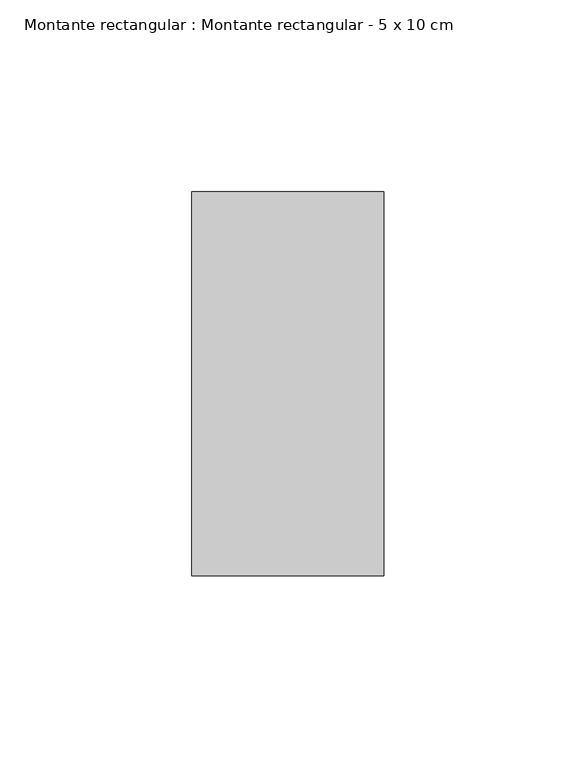
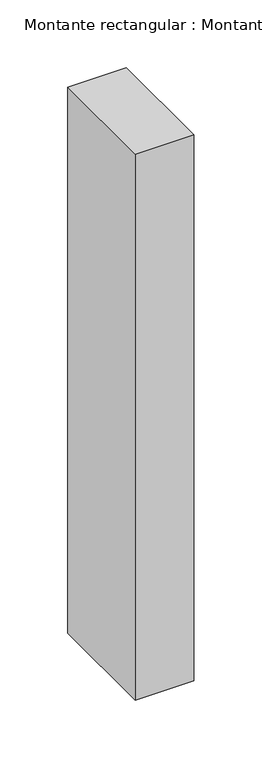
"""IFC4 building model written with IfcOpenShell, lengths in millimetres: member geometry, Montante rectangular : Montante rectangular - 5 x 10 cm."""

import ifcopenshell
import ifcopenshell.guid

model = None  # the IFC model being written
_history = None  # IfcOwnerHistory: only IFC2X3 demands one
_inside = {}  # id of a spatial element -> (the spatial element, [elements in it])
_under = {}  # id of a project, library or spatial element -> (it, [spatial elements below it])
_declared = {}  # id of a project -> (the project, [libraries it declares])
_typed = {}  # id of a type object -> (the type object, [elements of that type])
_made_of = {}  # id of a material, layer set ... -> (it, [elements and type objects made of it])


def new_model(schema):
    """Start an empty IFC model of exactly this schema.

    Asked for "IFC4X3", IfcOpenShell would pick the latest addendum, in which some entities
    have other attributes; the version numbers below select the first issue.
    IFC2X3 requires an IfcOwnerHistory on every rooted entity: one is made here for all.
    """
    global model, _history
    if schema == "IFC4X3":
        model = ifcopenshell.file(schema_version=(4, 3, 0, 0))
    else:
        model = ifcopenshell.file(schema=schema)
    _inside.clear()
    _under.clear()
    _declared.clear()
    _typed.clear()
    _made_of.clear()
    _history = None
    if model.schema == "IFC2X3":
        org = make("IfcOrganization", Name="unknown")
        user = make(
            "IfcPersonAndOrganization",
            ThePerson=make("IfcPerson", FamilyName="unknown"),
            TheOrganization=org,
        )
        app = make(
            "IfcApplication",
            ApplicationDeveloper=org,
            Version="unknown",
            ApplicationFullName="unknown",
            ApplicationIdentifier="unknown",
        )
        _history = make(
            "IfcOwnerHistory",
            OwningUser=user,
            OwningApplication=app,
            ChangeAction="ADDED",
            CreationDate=0,
        )
    return model


def make(cls, **values):
    """One entity of the class cls with the attributes given. An attribute that is None is left unset."""
    return model.create_entity(
        cls, **{name: value for name, value in values.items() if value is not None}
    )


def rooted(cls, **values):
    """An entity with a GlobalId (a new one), such as an element, a storey or a relation."""
    return make(cls, GlobalId=ifcopenshell.guid.new(), OwnerHistory=_history, **values)


def si_unit(unit_type, name, prefix=None):
    """IfcSIUnit, for example si_unit("LENGTHUNIT", "METRE", prefix="MILLI")."""
    return make("IfcSIUnit", UnitType=unit_type, Prefix=prefix, Name=name)


def assignment(units):
    """IfcUnitAssignment: the units of a project."""
    return None if units is None else make("IfcUnitAssignment", Units=units)


def point(xyz):
    """IfcCartesianPoint."""
    return None if xyz is None else make("IfcCartesianPoint", Coordinates=xyz)


def direction(xyz):
    """IfcDirection."""
    return None if xyz is None else make("IfcDirection", DirectionRatios=xyz)


def frame(location, z_axis=None, x_axis=None):
    """IfcAxis2Placement3D, a coordinate frame: its origin and axes. An axis left out is left unset."""
    return make(
        "IfcAxis2Placement3D",
        Location=point(location),
        Axis=direction(z_axis),
        RefDirection=direction(x_axis),
    )


def origin():
    """The frame at (0, 0, 0) with its axes left unset."""
    return frame((0.0, 0.0, 0.0))


def place(relative_to, where):
    """IfcLocalPlacement: puts the frame where relative to a parent placement (None: the world)."""
    return make(
        "IfcLocalPlacement", PlacementRelTo=relative_to, RelativePlacement=where
    )


def context(
    kind, dimensions, precision=None, world=None, true_north=None, identifier=None
):
    """IfcGeometricRepresentationContext, for example the 3D "Model" context."""
    return make(
        "IfcGeometricRepresentationContext",
        ContextIdentifier=identifier,
        ContextType=kind,
        CoordinateSpaceDimension=dimensions,
        Precision=precision,
        WorldCoordinateSystem=world,
        TrueNorth=true_north,
    )


def project(units=None, contexts=None):
    """IfcProject with its units and contexts."""
    return rooted(
        "IfcProject",
        Name="project",
        RepresentationContexts=contexts,
        UnitsInContext=assignment(units),
    )


def spatial(cls, under=None, at=None, **own):
    """A site, building, storey or space (cls), placed at a placement, below another one or the project."""
    s = rooted(cls, ObjectPlacement=at, **own)
    if under is not None:
        _under.setdefault(under.id(), (under, []))[1].append(s)
    return s


def polyline(points):
    """IfcPolyline through the points."""
    return make("IfcPolyline", Points=[point(p) for p in points])


def outline(outer, holes=None, kind="AREA"):
    """IfcArbitraryClosedProfileDef: a profile drawn as a closed curve; with holes, ...WithVoids."""
    if holes is None:
        return make("IfcArbitraryClosedProfileDef", ProfileType=kind, OuterCurve=outer)
    return make(
        "IfcArbitraryProfileDefWithVoids",
        ProfileType=kind,
        OuterCurve=outer,
        InnerCurves=holes,
    )


def extrude(swept, where, along, depth):
    """IfcExtrudedAreaSolid: the profile swept, set in the frame where, extruded along a direction by depth."""
    return make(
        "IfcExtrudedAreaSolid",
        SweptArea=swept,
        Position=where,
        ExtrudedDirection=direction(along),
        Depth=depth,
    )


def shape(context_of_items, identifier, shape_type, items):
    """IfcShapeRepresentation: the items that make up one representation, for example the "Body"."""
    return make(
        "IfcShapeRepresentation",
        ContextOfItems=context_of_items,
        RepresentationIdentifier=identifier,
        RepresentationType=shape_type,
        Items=items,
    )


def source(mapping_origin, context_of_items, identifier, shape_type, items):
    """IfcRepresentationMap: a shape defined once, which mapped items show again and again."""
    return make(
        "IfcRepresentationMap",
        MappingOrigin=mapping_origin,
        MappedRepresentation=shape(context_of_items, identifier, shape_type, items),
    )


def transform(
    local_origin,
    x_axis=None,
    y_axis=None,
    z_axis=None,
    scale=None,
    scale2=None,
    scale3=None,
    uniform=True,
):
    """IfcCartesianTransformationOperator3D, or its non-uniform kind. x_axis, y_axis, z_axis: its Axis1, 2, 3."""
    if uniform:
        return make(
            "IfcCartesianTransformationOperator3D",
            Axis1=direction(x_axis),
            Axis2=direction(y_axis),
            LocalOrigin=point(local_origin),
            Scale=scale,
            Axis3=direction(z_axis),
        )
    return make(
        "IfcCartesianTransformationOperator3DnonUniform",
        Axis1=direction(x_axis),
        Axis2=direction(y_axis),
        LocalOrigin=point(local_origin),
        Scale=scale,
        Axis3=direction(z_axis),
        Scale2=scale2,
        Scale3=scale3,
    )


def mapped(mapping_source, mapping_target):
    """IfcMappedItem: shows the shape of a source again, moved by a transform."""
    return make(
        "IfcMappedItem", MappingSource=mapping_source, MappingTarget=mapping_target
    )


def made_of(thing, what):
    """Note that an element or type object is made of a material, layer set ...; save() writes the relation."""
    if what is not None:
        _made_of.setdefault(what.id(), (what, []))[1].append(thing)
    return thing


def element(
    cls,
    number,
    at=None,
    inside=None,
    cuts=None,
    type_object=None,
    material=None,
    context=None,
    identifier="Body",
    shape_type=None,
    held_by="IfcProductDefinitionShape",
    body=None,
    shapes=None,
    **own,
):
    """One element of the class cls, such as IfcWall. Its Tag is "e" and its number.

    at: its placement. inside: the storey or other place that contains it. cuts: it is an
    opening in that element (IfcRelVoidsElement). A single representation is given by context,
    identifier, shape_type and body (its items); several are given by shapes. held_by: the class
    of the entity that holds the representations. save() writes the other relations.
    """
    e = rooted(cls, Tag="e%d" % number, ObjectPlacement=at, **own)
    if body is not None:
        shapes = [shape(context, identifier, shape_type, body)]
    if shapes is not None:
        e.Representation = make(held_by, Representations=shapes)
    if inside is not None:
        _inside.setdefault(inside.id(), (inside, []))[1].append(e)
    if cuts is not None:
        rooted(
            "IfcRelVoidsElement", RelatingBuildingElement=cuts, RelatedOpeningElement=e
        )
    if type_object is not None:
        _typed.setdefault(type_object.id(), (type_object, []))[1].append(e)
    return made_of(e, material)


def aggregate(whole, parts):
    """IfcRelAggregates: a whole, such as a stair, and the parts it consists of."""
    return rooted("IfcRelAggregates", RelatingObject=whole, RelatedObjects=parts)


def save(model, path):
    """Write the relations noted so far, then the file.

    IfcRelAggregates (storeys below a building ...), IfcRelContainedInSpatialStructure (elements
    in a storey), IfcRelDefinesByType, IfcRelAssociatesMaterial and IfcRelDeclares: one each for
    every whole, place, type object, material and project.
    """
    for whole, parts in _under.values():
        aggregate(whole, parts)
    for where, things in _inside.values():
        rooted(
            "IfcRelContainedInSpatialStructure",
            RelatedElements=things,
            RelatingStructure=where,
        )
    for kind, things in _typed.values():
        rooted("IfcRelDefinesByType", RelatedObjects=things, RelatingType=kind)
    for what, things in _made_of.values():
        rooted("IfcRelAssociatesMaterial", RelatedObjects=things, RelatingMaterial=what)
    for by, libraries in _declared.values():
        rooted("IfcRelDeclares", RelatingContext=by, RelatedDefinitions=libraries)
    model.write(path)


def montante_rectangular_montante_rectangular_5_x_10_cm_a6ed4d5c(model_context):
    return source(origin(), model_context, "Body", "SweptSolid", [
        extrude(outline(polyline([(-50.0, 50.0), (0.0, 50.0), (0.0, -50.0), (-50.0, -50.0), (-50.0, 50.0)])), frame((0.0, 0.0, -492.6666667), z_axis=(0.0, 0.0, 1.0), x_axis=(1.0, 0.0, 0.0)), (0.0, 0.0, 1.0), 492.6666667),
    ])


if __name__ == "__main__":
    model = new_model("IFC4")
    model_context = context("Model", 3, world=origin())
    ifc_project = project(units=[si_unit("LENGTHUNIT", "METRE", prefix="MILLI")], contexts=[model_context])
    site = spatial("IfcSite", under=ifc_project)
    building = spatial("IfcBuilding", under=site)
    placement = place(None, origin())
    montante_rectangular_montante_rectangular_5_x_10_cm_shape = montante_rectangular_montante_rectangular_5_x_10_cm_a6ed4d5c(model_context)
    element("IfcMember", 1, ObjectType="Montante rectangular : Montante rectangular - 5 x 10 cm", at=placement, inside=building, context=model_context, shape_type="MappedRepresentation", body=[
        mapped(montante_rectangular_montante_rectangular_5_x_10_cm_shape, transform((0.0, 0.0, 0.0), x_axis=(1.0, 0.0, 0.0), y_axis=(0.0, 1.0, 0.0), z_axis=(0.0, 0.0, 1.0))),
    ])
    save(model, "model.ifc")
